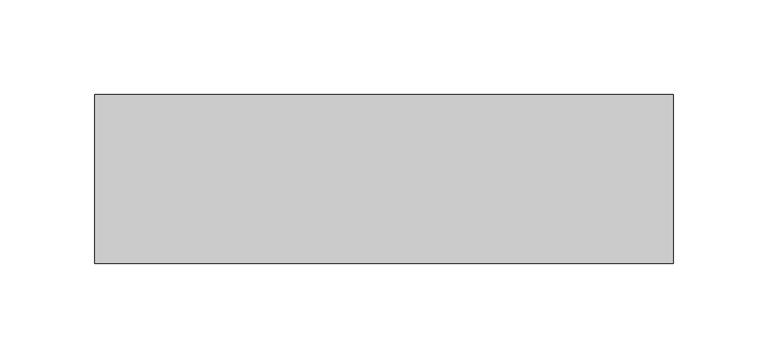
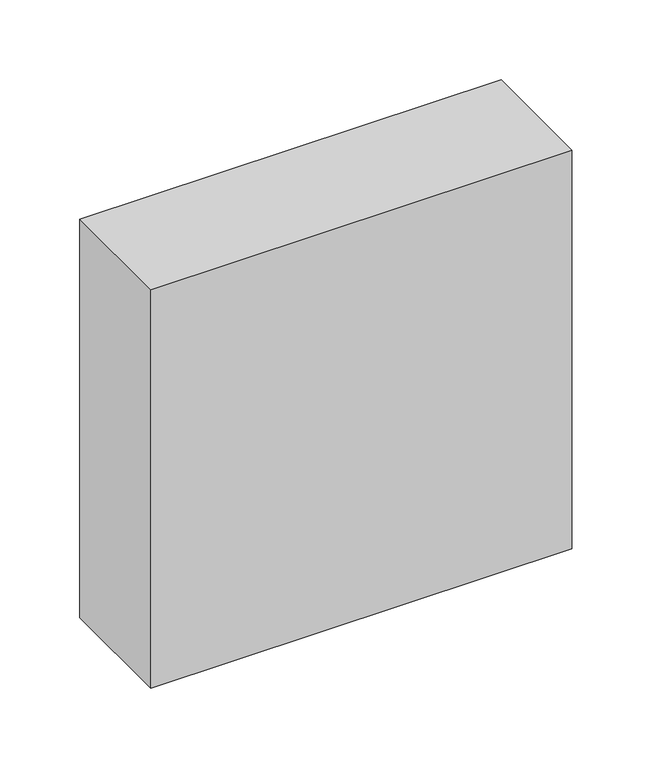
"""IFC4 building model written with IfcOpenShell, lengths in millimetres: proxy geometry."""

from ifc_helpers import new_model, si_unit, frame, origin, place, context, project, spatial, polyline, outline, extrude, source, transform, mapped, element, save


def generic_models_b7dd9693(model_context):
    return source(origin(), model_context, "Body", "SweptSolid", [
        extrude(outline(polyline([(152.4, -165.1), (-152.4, -165.1), (-152.4, -76.2), (152.4, -76.2), (152.4, -165.1)])), frame((0.0, 0.0, 863.6), z_axis=(0.0, 0.0, 1.0), x_axis=(1.0, 0.0, 0.0)), (0.0, 0.0, 1.0), 304.8),
    ])


if __name__ == "__main__":
    model = new_model("IFC4")
    model_context = context("Model", 3, world=origin())
    ifc_project = project(units=[si_unit("LENGTHUNIT", "METRE", prefix="MILLI")], contexts=[model_context])
    site = spatial("IfcSite", under=ifc_project)
    building = spatial("IfcBuilding", under=site)
    placement = place(None, origin())
    generic_models_shape = generic_models_b7dd9693(model_context)
    element("IfcBuildingElementProxy", 1, Name="Generic Models", at=placement, inside=building, context=model_context, shape_type="MappedRepresentation", body=[
        mapped(generic_models_shape, transform((0.0, 0.0, 0.0), x_axis=(1.0, 0.0, 0.0), y_axis=(0.0, 1.0, 0.0), z_axis=(0.0, 0.0, 1.0))),
    ])
    save(model, "model.ifc")
